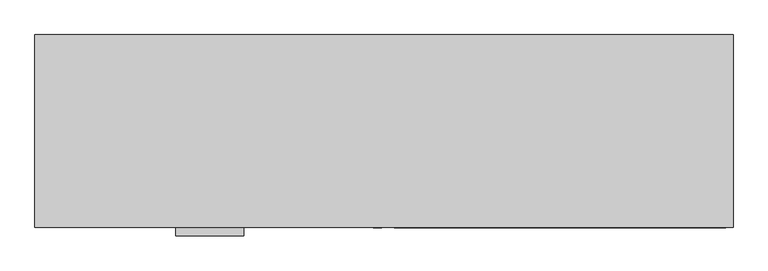
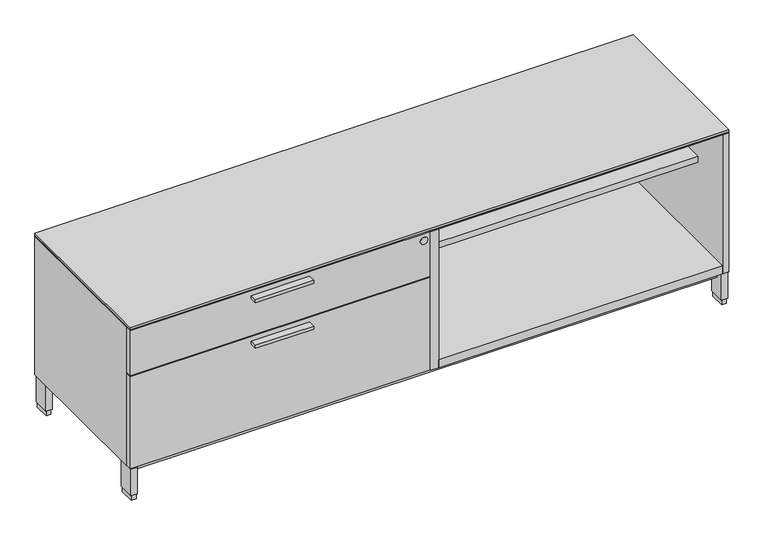
"""IFC4 building model written with IfcOpenShell, lengths in millimetres: furniture geometry."""

from ifc_helpers import new_model, si_unit, point, frame, frame_2d, origin, origin_with_axes, place, context, project, spatial, polyline, circle_curve, trimmed, segment, composite_curve, outline, extrude, source, transform, mapped, element, save


def furniture_b2f2cdb5(model_context):
    return source(origin(), model_context, "Body", "SweptSolid", [
        extrude(outline(polyline([(547.6875, -528.574), (369.8875, -528.574), (369.8875, -506.349), (547.6875, -506.349), (547.6875, -528.574)])), frame((0.0, 0.0, 379.09246), z_axis=(0.0, 0.0, 1.0), x_axis=(1.0, 0.0, 0.0)), (0.0, 0.0, 1.0), 9.525),
        extrude(outline(polyline([(547.6875, -528.574), (369.8875, -528.574), (369.8875, -506.349), (547.6875, -506.349), (547.6875, -528.574)])), frame((0.0, 0.0, 526.53946), z_axis=(0.0, 0.0, 1.0), x_axis=(1.0, 0.0, 0.0)), (0.0, 0.0, 1.0), 9.525),
        extrude(outline(polyline([(941.3875, -20.828), (1807.7815, -20.828), (1807.7815, -506.349), (941.3875, -506.349), (941.3875, -20.828)])), frame((0.0, 0.0, 103.2002), z_axis=(0.0, 0.0, 1.0), x_axis=(1.0, 0.0, 0.0)), (0.0, 0.0, 1.0), 25.4),
        extrude(outline(polyline([(1.5875, -1.524), (1827.2125, -1.524), (1827.2125, -506.349), (915.9875, -506.349), (915.9875, -487.172), (1.5875, -487.172), (1.5875, -1.524)])), frame((0.0, 0.0, 550.8752), z_axis=(0.0, 0.0, 1.0), x_axis=(1.0, 0.0, 0.0)), (0.0, 0.0, 1.0), 1.5875),
        extrude(outline(polyline([(941.3875, -20.828), (1807.7815, -20.828), (1807.7815, -375.8184), (941.3875, -375.8184), (941.3875, -20.828)])), frame((0.0, 0.0, 383.0828), z_axis=(0.0, 0.0, 1.0), x_axis=(1.0, 0.0, 0.0)), (0.0, 0.0, 1.0), 20.3454),
        extrude(outline(polyline([(915.9875, -20.828), (941.3875, -20.828), (941.3875, -506.349), (915.9875, -506.349), (915.9875, -20.828)])), frame((0.0, 0.0, 103.2002), z_axis=(0.0, 0.0, 1.0), x_axis=(1.0, 0.0, 0.0)), (0.0, 0.0, 1.0), 447.675),
        extrude(outline(polyline([(21.2979, -5.715), (21.2979, -52.197), (6.5659, -52.197), (6.5659, -5.715), (21.2979, -5.715)])), origin_with_axes(), (0.0, 0.0, 1.0), 17.399),
        extrude(outline(polyline([(21.2979, -455.676), (21.2979, -502.158), (6.5659, -502.158), (6.5659, -455.676), (21.2979, -455.676)])), origin_with_axes(), (0.0, 0.0, 1.0), 17.399),
        extrude(outline(polyline([(1822.2341, -455.676), (1822.2341, -502.158), (1807.5021, -502.158), (1807.5021, -455.676), (1822.2341, -455.676)])), origin_with_axes(), (0.0, 0.0, 1.0), 17.399),
        extrude(outline(polyline([(1822.2341, -5.715), (1822.2341, -52.197), (1807.5021, -52.197), (1807.5021, -5.715), (1822.2341, -5.715)])), origin_with_axes(), (0.0, 0.0, 1.0), 17.399),
        extrude(outline(polyline([(23.4569, -3.556), (23.4569, -54.356), (4.4069, -54.356), (4.4069, -3.556), (23.4569, -3.556)])), frame((0.0, 0.0, 17.399), z_axis=(0.0, 0.0, 1.0), x_axis=(1.0, 0.0, 0.0)), (0.0, 0.0, 1.0), 85.8012),
        extrude(outline(polyline([(1824.3931, -3.556), (1824.3931, -54.356), (1805.3431, -54.356), (1805.3431, -3.556), (1824.3931, -3.556)])), frame((0.0, 0.0, 17.399), z_axis=(0.0, 0.0, 1.0), x_axis=(1.0, 0.0, 0.0)), (0.0, 0.0, 1.0), 85.8012),
        extrude(outline(polyline([(1824.3931, -453.517), (1824.3931, -504.317), (1805.3431, -504.317), (1805.3431, -453.517), (1824.3931, -453.517)])), frame((0.0, 0.0, 17.399), z_axis=(0.0, 0.0, 1.0), x_axis=(1.0, 0.0, 0.0)), (0.0, 0.0, 1.0), 85.8012),
        extrude(outline(polyline([(23.4569, -453.517), (23.4569, -504.317), (4.4069, -504.317), (4.4069, -453.517), (23.4569, -453.517)])), frame((0.0, 0.0, 17.399), z_axis=(0.0, 0.0, 1.0), x_axis=(1.0, 0.0, 0.0)), (0.0, 0.0, 1.0), 85.8012),
        extrude(outline(polyline([(1805.3431, -26.99766), (1805.3431, -480.87534), (23.4569, -480.87534), (23.4569, -26.99766), (1805.3431, -26.99766)])), frame((0.0, 0.0, 77.8002), z_axis=(0.0, 0.0, 1.0), x_axis=(1.0, 0.0, 0.0)), (0.0, 0.0, 1.0), 25.4),
        extrude(outline(composite_curve([segment(trimmed(circle_curve(frame_2d((528.3708, 896.9375)), 11.176), [point((528.3708, 908.1135))], [point((528.3708, 885.7615))], False, "CARTESIAN"), True, "CONTINUOUS"), segment(trimmed(circle_curve(frame_2d((528.3708, 896.9375)), 11.176), [point((528.3708, 885.7615))], [point((528.3708, 908.1135))], False, "CARTESIAN"), True, "CONTINUOUS")], self_intersect=False)), frame((0.0, -506.9614948, 0.0), z_axis=(0.0, 1.0, 0.0), x_axis=(0.0, 0.0, 1.0)), (0.0, 0.0, 1.0), 5.0524148),
        extrude(outline(polyline([(915.9875, -487.172), (915.9875, -506.349), (1.5875, -506.349), (1.5875, -487.172), (915.9875, -487.172)])), frame((0.0, 0.0, 106.3752), z_axis=(0.0, 0.0, 1.0), x_axis=(1.0, 0.0, 0.0)), (0.0, 0.0, 1.0), 297.053),
        extrude(outline(polyline([(915.9875, -487.172), (915.9875, -506.349), (1.5875, -506.349), (1.5875, -487.172), (915.9875, -487.172)])), frame((0.0, 0.0, 406.6032), z_axis=(0.0, 0.0, 1.0), x_axis=(1.0, 0.0, 0.0)), (0.0, 0.0, 1.0), 144.272),
        extrude(outline(polyline([(1827.2125, -506.349), (1.5875, -506.349), (1.5875, -1.524), (1827.2125, -1.524), (1827.2125, -506.349)])), frame((0.0, 0.0, 554.0502), z_axis=(0.0, 0.0, 1.0), x_axis=(1.0, 0.0, 0.0)), (0.0, 0.0, 1.0), 6.35),
        extrude(outline(polyline([(1.5875, -1.524), (1827.2125, -1.524), (1827.2125, -506.349), (1807.7815, -506.349), (1807.7815, -20.828), (21.0185, -20.828), (21.0185, -483.2858), (1.5875, -483.2858), (1.5875, -1.524)])), frame((0.0, 0.0, 103.2002), z_axis=(0.0, 0.0, 1.0), x_axis=(1.0, 0.0, 0.0)), (0.0, 0.0, 1.0), 447.675),
    ])


if __name__ == "__main__":
    model = new_model("IFC4")
    model_context = context("Model", 3, world=origin())
    ifc_project = project(units=[si_unit("LENGTHUNIT", "METRE", prefix="MILLI")], contexts=[model_context])
    site = spatial("IfcSite", under=ifc_project)
    building = spatial("IfcBuilding", under=site)
    placement = place(None, origin())
    furniture_shape = furniture_b2f2cdb5(model_context)
    element("IfcFurniture", 1, at=placement, inside=building, context=model_context, shape_type="MappedRepresentation", body=[
        mapped(furniture_shape, transform((0.0, 0.0, 0.0), x_axis=(1.0, 0.0, 0.0), y_axis=(0.0, 1.0, 0.0), z_axis=(0.0, 0.0, 1.0))),
    ])
    save(model, "model.ifc")
